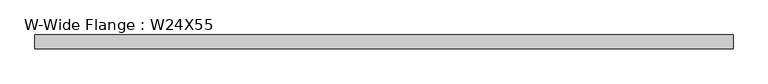
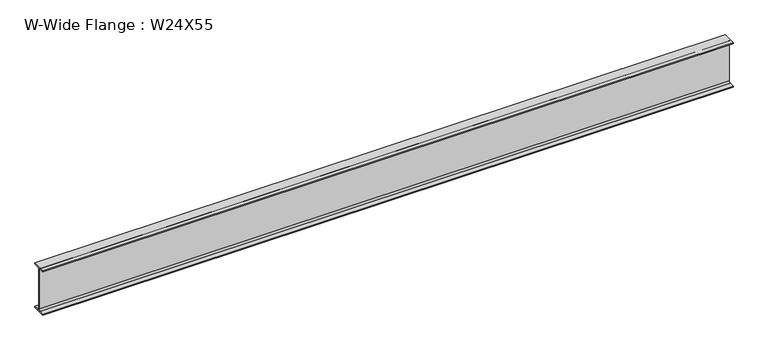
"""IFC4 building model written with IfcOpenShell, lengths in millimetres: beam geometry, W-Wide Flange : W24X55."""

from ifc_helpers import new_model, si_unit, point, frame, frame_2d, origin, place, context, project, spatial, polyline, circle_curve, trimmed, segment, composite_curve, outline, extrude, source, transform, mapped, element, save


def w_wide_flange_w24x55_2b82bcab(model_context):
    return source(origin(), model_context, "Body", "SweptSolid", [
        extrude(outline(composite_curve([segment(polyline([(89.0488281, -286.940625), (89.0488281, -299.7398438), (-89.0488281, -299.7398438), (-89.0488281, -286.940625), (-28.7238281, -286.940625)]), True, "CONTINUOUS"), segment(trimmed(circle_curve(frame_2d((-28.7238281, -263.2273438)), 23.7132812), [point((-28.7238281, -286.940625))], [point((-5.0105469, -263.2273438))], True, "CARTESIAN"), True, "CONTINUOUS"), segment(polyline([(-5.0105469, -263.2273438), (-5.0105469, 263.2273437)]), True, "CONTINUOUS"), segment(trimmed(circle_curve(frame_2d((-28.7238281, 263.2273437)), 23.7132812), [point((-5.0105469, 263.2273437))], [point((-28.7238281, 286.940625))], True, "CARTESIAN"), True, "CONTINUOUS"), segment(polyline([(-28.7238281, 286.940625), (-89.0488281, 286.940625), (-89.0488281, 299.7398437), (89.0488281, 299.7398437), (89.0488281, 286.940625), (28.7238281, 286.940625)]), True, "CONTINUOUS"), segment(trimmed(circle_curve(frame_2d((28.7238281, 263.2273437)), 23.7132812), [point((28.7238281, 286.940625))], [point((5.0105469, 263.2273437))], True, "CARTESIAN"), True, "CONTINUOUS"), segment(polyline([(5.0105469, 263.2273437), (5.0105469, -263.2273438)]), True, "CONTINUOUS"), segment(trimmed(circle_curve(frame_2d((28.7238281, -263.2273438)), 23.7132812), [point((5.0105469, -263.2273438))], [point((28.7238281, -286.940625))], True, "CARTESIAN"), True, "CONTINUOUS"), segment(polyline([(28.7238281, -286.940625), (89.0488281, -286.940625)]), True, "CONTINUOUS")], self_intersect=False)), frame((-4432.3, 0.0, 0.0), z_axis=(1.0, 0.0, 0.0), x_axis=(0.0, 1.0, 0.0)), (0.0, 0.0, 1.0), 8864.6),
    ])


if __name__ == "__main__":
    model = new_model("IFC4")
    model_context = context("Model", 3, world=origin())
    ifc_project = project(units=[si_unit("LENGTHUNIT", "METRE", prefix="MILLI")], contexts=[model_context])
    site = spatial("IfcSite", under=ifc_project)
    building = spatial("IfcBuilding", under=site)
    placement = place(None, origin())
    w_wide_flange_w24x55_shape = w_wide_flange_w24x55_2b82bcab(model_context)
    element("IfcBeam", 1, ObjectType="W-Wide Flange : W24X55", at=placement, inside=building, context=model_context, shape_type="MappedRepresentation", body=[
        mapped(w_wide_flange_w24x55_shape, transform((0.0, 0.0, 0.0), x_axis=(1.0, 0.0, 0.0), y_axis=(0.0, 1.0, 0.0), z_axis=(0.0, 0.0, 1.0))),
    ])
    save(model, "model.ifc")
